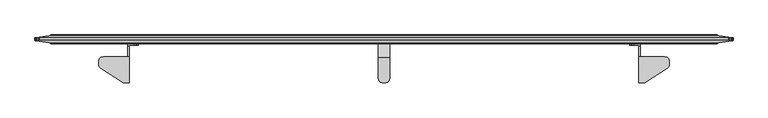
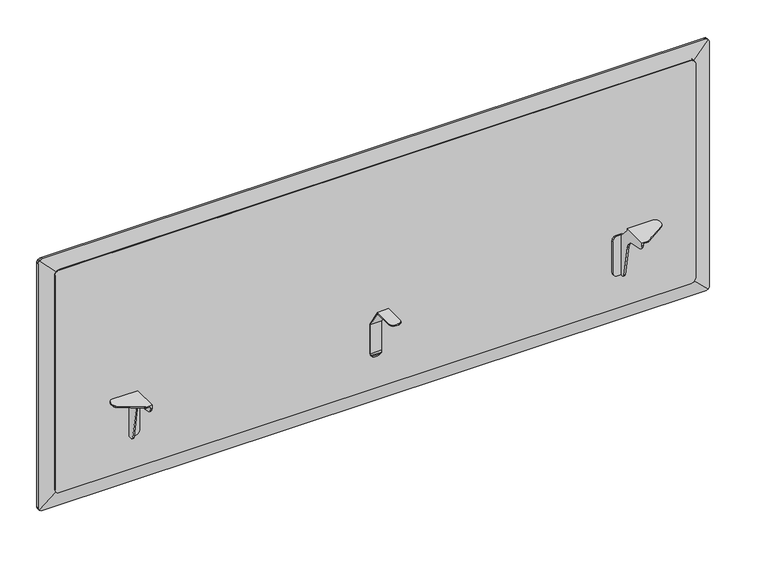
"""IFC4 building model written with IfcOpenShell, lengths in millimetres: furniture geometry."""

from ifc_helpers import new_model, si_unit, frame, origin, place, context, project, spatial, polyline, outline, extrude, faceted_brep, source, transform, mapped, element, save


def furniture_28efd50c(model_context):
    return source(origin(), model_context, "Body", "SolidModel", [
        faceted_brep([(1373.8859978, -47.2440001, 703.2318954), (1317.1170065, -47.2440001, 703.2318954), (1317.1170065, -103.8860008, 703.2318954), (1328.2202986, -103.8860008, 703.2318954), (1330.0649535, -103.7056703, 703.2318954), (1331.8397543, -103.1715187, 703.2318954), (1333.4774996, -102.3037619, 703.2318954), (1379.1431987, -72.0782948, 703.2318954), (1381.4257901, -69.955943, 703.2318954), (1382.9010453, -67.2103598, 703.2318954), (1383.4109978, -64.1355338, 703.2318954), (1383.4109978, -56.7690004, 703.2318954), (1382.1348948, -52.0064998, 703.2318954), (1378.6484978, -48.520108, 703.2318954), (1317.1170065, -103.8860008, 695.6004571), (1320.1649945, -103.8860008, 695.6004571), (1320.1649945, -103.8860008, 700.1838983), (1328.2202986, -103.8860008, 700.1838983), (1320.1649945, -19.05, 578.009924), (1307.3380068, -19.05, 578.009924), (1302.5755068, -19.05, 579.2860452), (1299.0891098, -19.05, 582.772424), (1297.8130068, -19.05, 587.534924), (1297.8130068, -19.05, 663.7348876), (1299.0891098, -19.05, 668.4973876), (1302.5755068, -19.05, 671.9838027), (1307.3380068, -19.05, 673.2598876), (1320.1649945, -19.05, 673.2598876), (1320.1649945, -47.2440001, 700.1838983), (1373.8859978, -47.2440001, 700.1838983), (1378.6484978, -48.520108, 700.1838983), (1382.1348948, -52.0064998, 700.1838983), (1383.4109978, -56.7690004, 700.1838983), (1383.4109978, -64.1355338, 700.1838983), (1382.9010453, -67.2103598, 700.1838983), (1381.4257901, -69.955943, 700.1838983), (1379.1431987, -72.0782948, 700.1838983), (1333.4774996, -102.3037619, 700.1838983), (1331.8397543, -103.1715187, 700.1838983), (1330.0649535, -103.7056703, 700.1838983), (1320.1649945, -102.535134, 689.9007324), (1320.1649945, -98.769916, 685.4135063), (1320.1649945, -93.3913335, 683.0934444), (1320.1649945, -67.1971565, 678.4746856), (1320.1649945, -57.6502931, 674.6819665), (1320.1649945, -50.386431, 667.418093), (1320.1649945, -46.5937042, 657.8712194), (1320.1649945, -33.4372464, 583.2572418), (1320.1649945, -32.2771995, 580.56798), (1320.1649945, -30.0335922, 578.6853551), (1320.1649945, -27.1837173, 578.009924), (1320.1649945, -24.1299997, 673.2598876), (1320.1649945, -47.2440001, 698.1519002), (1317.1170065, -47.2440001, 698.1519002), (1317.1170065, -24.1299997, 673.2598876), (1307.3380068, -22.0979994, 673.2598876), (1317.1170065, -22.0979994, 673.2598876), (1317.1170065, -98.769916, 685.4135063), (1317.1170065, -93.3913335, 683.0934444), (1317.1170065, -102.535134, 689.9007324), (1317.1170065, -27.1837173, 578.009924), (1317.1170065, -22.0979994, 578.009924), (1307.3380068, -22.0979994, 578.009924), (1317.1170065, -30.0335922, 578.6853551), (1317.1170065, -32.2771995, 580.56798), (1317.1170065, -33.4372464, 583.2572418), (1317.1170065, -46.5937042, 657.8712194), (1317.1170065, -50.386431, 667.418093), (1317.1170065, -57.6502931, 674.6819665), (1317.1170065, -67.1971565, 678.4746856), (1302.5755068, -22.0979994, 671.9838027), (1299.0891098, -22.0979994, 668.4973876), (1297.8130068, -22.0979994, 663.7348876), (1297.8130068, -22.0979994, 587.534924), (1299.0891098, -22.0979994, 582.772424), (1302.5755068, -22.0979994, 579.2860452)], [[[0, 1, 2, 3, 4, 5, 6, 7, 8, 9, 10, 11, 12, 13]], [[3, 2, 14, 15, 16, 17]], [[18, 19, 20, 21, 22, 23, 24, 25, 26, 27]], [[28, 29, 30, 31, 32, 33, 34, 35, 36, 37, 38, 39, 17, 16]], [[16, 15, 40, 41, 42, 43, 44, 45, 46, 47, 48, 49, 50, 18, 27, 51, 52, 28]], [[29, 28, 52, 53, 1, 0]], [[13, 30, 29, 0]], [[12, 31, 30, 13]], [[11, 32, 31, 12]], [[10, 33, 32, 11]], [[9, 34, 33, 10]], [[8, 35, 34, 9]], [[7, 36, 35, 8]], [[6, 37, 36, 7]], [[5, 38, 37, 6]], [[4, 39, 38, 5]], [[3, 17, 39, 4]], [[51, 54, 53, 52]], [[27, 26, 55, 56, 54, 51]], [[41, 57, 58, 42]], [[40, 59, 57, 41]], [[15, 14, 59, 40]], [[50, 60, 61, 62, 19, 18]], [[49, 63, 60, 50]], [[48, 64, 63, 49]], [[47, 65, 64, 48]], [[46, 66, 65, 47]], [[45, 67, 66, 46]], [[44, 68, 67, 45]], [[43, 69, 68, 44]], [[42, 58, 69, 43]], [[61, 60, 63, 64, 65, 66, 67, 68, 69, 58, 57, 59, 14, 2, 1, 53, 54, 56]], [[56, 55, 70, 71, 72, 73, 74, 75, 62, 61]], [[70, 55, 26, 25]], [[25, 24, 71, 70]], [[24, 23, 72, 71]], [[23, 22, 73, 72]], [[22, 21, 74, 73]], [[21, 20, 75, 74]], [[20, 19, 62, 75]]]),
        faceted_brep([(758.8249879, -22.0979994, 576.2815516), (765.175, -22.0979994, 576.2815516), (769.9375, -22.0979994, 577.5576729), (770.9027027, -22.0979994, 578.5228756), (753.0972852, -22.0979994, 578.5228756), (754.0624879, -22.0979994, 577.5576729), (773.4238788, -22.0979994, 581.0440516), (773.6825067, -22.0979994, 582.0092544), (750.3174812, -22.0979994, 582.0092544), (750.5761091, -22.0979994, 581.0440516), (774.6999879, -22.0979994, 586.7717544), (749.2999879, -22.0979994, 586.7717544), (749.2999879, -22.0979994, 585.8065516), (774.6999879, -22.0979994, 585.8065064), (774.6999879, -22.0979994, 656.5709459), (749.2999879, -22.0979994, 656.5709459), (774.6999879, -49.7950483, 699.4207287), (749.2999879, -49.7950483, 699.4207287), (774.6999879, -94.4880459, 699.4207287), (773.4238788, -99.2505007, 699.4207287), (769.9375, -102.7368931, 699.4207287), (766.3416142, -103.7004075, 699.4207287), (757.6583736, -103.7004075, 699.4207287), (754.0624879, -102.7368931, 699.4207287), (750.5761091, -99.2505007, 699.4207287), (749.2999879, -94.4880007, 699.4207287), (749.2999879, -48.7171998, 702.4687258), (774.6999879, -48.7171998, 702.4687258), (774.6999879, -19.05, 656.5709459), (749.2999879, -19.05, 656.5709459), (749.2999879, -94.4880007, 702.4687258), (750.5761091, -99.2505007, 702.4687258), (754.0624879, -102.7368931, 702.4687258), (757.6583736, -103.7004075, 702.4687258), (766.3416142, -103.7004075, 702.4687258), (769.9375, -102.7368931, 702.4687258), (773.4238788, -99.2505007, 702.4687258), (774.6999879, -94.4880459, 702.4687258), (758.8249879, -19.05, 576.2815516), (765.175, -19.05, 576.2815516), (774.6999879, -19.05, 585.8065064), (773.4238788, -19.05, 581.0440516), (769.9375, -19.05, 577.5576729), (754.0624879, -19.05, 577.5576729), (750.5761091, -19.05, 581.0440516), (749.2999879, -19.05, 585.8065516)], [[[0, 1, 2, 3, 4, 5]], [[4, 3, 6, 7, 8, 9]], [[10, 11, 12, 8, 7, 13]], [[11, 10, 14, 15]], [[15, 14, 16, 17]], [[17, 16, 18, 19, 20, 21, 22, 23, 24, 25]], [[26, 27, 28, 29]], [[27, 26, 30, 31, 32, 33, 34, 35, 36, 37]], [[38, 39, 1, 0]], [[29, 28, 40, 41, 42, 39, 38, 43, 44, 45]], [[11, 15, 17, 25, 30, 26, 29, 45, 12]], [[14, 10, 13, 40, 28, 27, 37, 18, 16]], [[6, 41, 40, 13, 7]], [[41, 6, 3, 2, 42]], [[42, 2, 1, 39]], [[5, 43, 38, 0]], [[43, 5, 4, 9, 44]], [[44, 9, 8, 12, 45]], [[36, 19, 18, 37]], [[19, 36, 35, 20]], [[20, 35, 34, 21]], [[21, 34, 33, 22]], [[22, 33, 32, 23]], [[23, 32, 31, 24]], [[24, 31, 30, 25]]]),
        faceted_brep([(150.1140022, -47.2440001, 703.2318954), (145.3515022, -48.520108, 703.2318954), (141.8651052, -52.0064998, 703.2318954), (140.5890022, -56.7690004, 703.2318954), (140.5890022, -64.1355338, 703.2318954), (141.0989547, -67.2103598, 703.2318954), (142.5742099, -69.955943, 703.2318954), (144.8568013, -72.0782948, 703.2318954), (190.5225004, -102.3037619, 703.2318954), (192.1602457, -103.1715187, 703.2318954), (193.9350465, -103.7056703, 703.2318954), (195.7797014, -103.8860008, 703.2318954), (206.8829935, -103.8860008, 703.2318954), (206.8829935, -47.2440001, 703.2318954), (195.7797014, -103.8860008, 700.1838983), (203.8350055, -103.8860008, 700.1838983), (203.8350055, -103.8860008, 695.6004571), (206.8829935, -103.8860008, 695.6004571), (203.8350055, -19.05, 578.009924), (203.8350055, -19.05, 673.2598876), (216.6619932, -19.05, 673.2598876), (221.4244932, -19.05, 671.9838027), (224.9108902, -19.05, 668.4973876), (226.1869932, -19.05, 663.7348876), (226.1869932, -19.05, 587.534924), (224.9108902, -19.05, 582.772424), (221.4244932, -19.05, 579.2860452), (216.6619932, -19.05, 578.009924), (203.8350055, -47.2440001, 700.1838983), (193.9350465, -103.7056703, 700.1838983), (192.1602457, -103.1715187, 700.1838983), (190.5225004, -102.3037619, 700.1838983), (144.8568013, -72.0782948, 700.1838983), (142.5742099, -69.955943, 700.1838983), (141.0989547, -67.2103598, 700.1838983), (140.5890022, -64.1355338, 700.1838983), (140.5890022, -56.7690004, 700.1838983), (141.8651052, -52.0064998, 700.1838983), (145.3515022, -48.520108, 700.1838983), (150.1140022, -47.2440001, 700.1838983), (203.8350055, -47.2440001, 698.1519002), (203.8350055, -24.1299997, 673.2598876), (203.8350055, -27.1837173, 578.009924), (203.8350055, -30.0335922, 578.6853551), (203.8350055, -32.2771995, 580.56798), (203.8350055, -33.4372464, 583.2572418), (203.8350055, -46.5937042, 657.8712194), (203.8350055, -50.386431, 667.418093), (203.8350055, -57.6502931, 674.6819665), (203.8350055, -67.1971565, 678.4746856), (203.8350055, -93.3913335, 683.0934444), (203.8350055, -98.769916, 685.4135063), (203.8350055, -102.535134, 689.9007324), (206.8829935, -47.2440001, 698.1519002), (206.8829935, -24.1299997, 673.2598876), (206.8829935, -22.0979994, 673.2598876), (216.6619932, -22.0979994, 673.2598876), (206.8829935, -93.3913335, 683.0934444), (206.8829935, -98.769916, 685.4135063), (206.8829935, -102.535134, 689.9007324), (216.6619932, -22.0979994, 578.009924), (206.8829935, -22.0979994, 578.009924), (206.8829935, -27.1837173, 578.009924), (206.8829935, -30.0335922, 578.6853551), (206.8829935, -32.2771995, 580.56798), (206.8829935, -33.4372464, 583.2572418), (206.8829935, -46.5937042, 657.8712194), (206.8829935, -50.386431, 667.418093), (206.8829935, -57.6502931, 674.6819665), (206.8829935, -67.1971565, 678.4746856), (221.4244932, -22.0979994, 579.2860452), (224.9108902, -22.0979994, 582.772424), (226.1869932, -22.0979994, 587.534924), (226.1869932, -22.0979994, 663.7348876), (224.9108902, -22.0979994, 668.4973876), (221.4244932, -22.0979994, 671.9838027)], [[[0, 1, 2, 3, 4, 5, 6, 7, 8, 9, 10, 11, 12, 13]], [[11, 14, 15, 16, 17, 12]], [[18, 19, 20, 21, 22, 23, 24, 25, 26, 27]], [[28, 15, 14, 29, 30, 31, 32, 33, 34, 35, 36, 37, 38, 39]], [[15, 28, 40, 41, 19, 18, 42, 43, 44, 45, 46, 47, 48, 49, 50, 51, 52, 16]], [[39, 0, 13, 53, 40, 28]], [[1, 0, 39, 38]], [[2, 1, 38, 37]], [[3, 2, 37, 36]], [[4, 3, 36, 35]], [[5, 4, 35, 34]], [[6, 5, 34, 33]], [[7, 6, 33, 32]], [[8, 7, 32, 31]], [[9, 8, 31, 30]], [[10, 9, 30, 29]], [[11, 10, 29, 14]], [[41, 40, 53, 54]], [[19, 41, 54, 55, 56, 20]], [[51, 50, 57, 58]], [[52, 51, 58, 59]], [[16, 52, 59, 17]], [[42, 18, 27, 60, 61, 62]], [[43, 42, 62, 63]], [[44, 43, 63, 64]], [[45, 44, 64, 65]], [[46, 45, 65, 66]], [[47, 46, 66, 67]], [[48, 47, 67, 68]], [[49, 48, 68, 69]], [[50, 49, 69, 57]], [[61, 55, 54, 53, 13, 12, 17, 59, 58, 57, 69, 68, 67, 66, 65, 64, 63, 62]], [[55, 61, 60, 70, 71, 72, 73, 74, 75, 56]], [[75, 21, 20, 56]], [[21, 75, 74, 22]], [[22, 74, 73, 23]], [[23, 73, 72, 24]], [[24, 72, 71, 25]], [[25, 71, 70, 26]], [[26, 70, 60, 27]]]),
        extrude(outline(polyline([(1032.002, 1477.1178925), (1032.002, 46.8257121), (1031.3159549, 43.184392), (1030.2278673, 40.7952556), (1028.9466955, 39.2079102), (1027.0346029, 37.7230447), (1024.7089454, 36.7081476), (1022.0517493, 36.322), (508.4958553, 36.322), (505.8386592, 36.7081476), (503.5130017, 37.7230447), (501.6009091, 39.2079102), (500.3197373, 40.7952556), (499.2316497, 43.184392), (498.602, 46.5263823), (498.602, 1477.4172223), (499.2316497, 1480.7592125), (500.3197373, 1483.1483489), (501.6009091, 1484.7356944), (503.5130017, 1486.2205599), (505.8386592, 1487.235457), (508.8839288, 1487.678), (1021.6636758, 1487.678), (1024.7089454, 1487.235457), (1027.0346029, 1486.2205599), (1028.9466955, 1484.7356944), (1030.2278673, 1483.1483489), (1031.3159549, 1480.7592125), (1032.002, 1477.1178925)])), frame((0.0, -19.05, 0.0), z_axis=(0.0, 1.0, 0.0), x_axis=(0.0, 0.0, 1.0)), (0.0, 0.0, 1.0), 19.05),
        faceted_brep([(1484.4466046, -1.27, 501.8333954), (1484.4466046, -1.27, 1028.7706046), (1519.5341432, -6.201232, 1063.8581432), (1521.0749553, -6.417779, 1061.8740069), (1522.0898524, -6.5604135, 1059.5483494), (1522.476, -6.614683, 1056.8911533), (1522.476, -6.614683, 473.7128467), (1522.0898524, -6.5604135, 471.0556506), (1521.0749553, -6.417779, 468.7299931), (1519.5341432, -6.201232, 466.7458568), (1484.4466046, -17.78, 1028.7706046), (1484.4466046, -17.78, 501.8333954), (1519.5341432, -12.5994806, 466.7458568), (1521.0749553, -12.3719865, 468.7299931), (1522.0898524, -12.2221415, 471.0556506), (1522.476, -12.1651285, 473.7128467), (1522.476, -12.1651285, 1056.8911533), (1522.0898524, -12.2221415, 1059.5483494), (1521.0749553, -12.3719865, 1061.8740069), (1519.5341432, -12.5994806, 1063.8581432), (39.5533954, -1.27, 501.8333954), (1518.0027444, -6.3711638, 465.5367287), (1515.613608, -6.5240846, 464.4486411), (1512.1920479, -6.614683, 463.804), (11.8079521, -6.614683, 463.804), (8.386392, -6.5240846, 464.4486411), (5.9972556, -6.3711638, 465.5367287), (4.479154, -6.1989614, 466.7620127), (39.5533954, -17.78, 501.8333954), (4.4658568, -12.5994806, 466.7458568), (5.9972556, -12.4209582, 465.5367287), (8.386392, -12.2603069, 464.4486411), (11.8079521, -12.1651285, 463.804), (1512.1920479, -12.1651285, 463.804), (1515.613608, -12.2603069, 464.4486411), (1518.0027444, -12.4209582, 465.5367287), (39.5533954, -1.27, 1028.7706046), (2.9250447, -6.417779, 468.7299931), (1.9101476, -6.5604135, 471.0556506), (1.524, -6.614683, 473.7128467), (1.524, -6.614683, 1056.8911533), (1.9101476, -6.5604135, 1059.5483494), (2.9250447, -6.417779, 1061.8740069), (4.4658568, -6.201232, 1063.8581432), (39.5533954, -17.78, 1028.7706046), (4.4658568, -12.5994806, 1063.8581432), (2.9250447, -12.3719865, 1061.8740069), (1.9101476, -12.2221415, 1059.5483494), (1.524, -12.1651285, 1056.8911533), (1.524, -12.1651285, 473.7128467), (1.9101476, -12.2221415, 471.0556506), (2.9250447, -12.3719865, 468.7299931), (5.9972556, -6.3711638, 1065.0672713), (8.386392, -6.5240846, 1066.1553589), (11.8079521, -6.614683, 1066.8), (1512.1920479, -6.614683, 1066.8), (1515.613608, -6.5240846, 1066.1553589), (1518.0027444, -6.3711638, 1065.0672713), (1518.0027444, -12.4209582, 1065.0672713), (1515.613608, -12.2603069, 1066.1553589), (1512.1920479, -12.1651285, 1066.8), (11.8079521, -12.1651285, 1066.8), (8.386392, -12.2603069, 1066.1553589), (5.9972556, -12.4209582, 1065.0672713)], [[[0, 1, 2, 3, 4, 5, 6, 7, 8, 9]], [[10, 11, 12, 13, 14, 15, 16, 17, 18, 19]], [[20, 0, 9, 21, 22, 23, 24, 25, 26, 27]], [[11, 28, 29, 30, 31, 32, 33, 34, 35, 12]], [[36, 20, 27, 37, 38, 39, 40, 41, 42, 43]], [[28, 44, 45, 46, 47, 48, 49, 50, 51, 29]], [[1, 36, 43, 52, 53, 54, 55, 56, 57, 2]], [[44, 10, 19, 58, 59, 60, 61, 62, 63, 45]], [[1, 0, 11, 10]], [[0, 20, 28, 11]], [[20, 36, 44, 28]], [[36, 1, 10, 44]], [[5, 16, 15, 6]], [[23, 33, 32, 24]], [[48, 40, 39, 49]], [[54, 61, 60, 55]], [[41, 47, 46, 42]], [[45, 43, 42, 46]], [[43, 45, 63, 52]], [[52, 63, 62, 53]], [[53, 62, 61, 54]], [[47, 41, 40, 48]], [[3, 18, 17, 4]], [[2, 19, 18, 3]], [[19, 2, 57, 58]], [[58, 57, 56, 59]], [[59, 56, 55, 60]], [[4, 17, 16, 5]], [[7, 14, 13, 8]], [[12, 9, 8, 13]], [[9, 12, 35, 21]], [[21, 35, 34, 22]], [[22, 34, 33, 23]], [[14, 7, 6, 15]], [[37, 51, 50, 38]], [[27, 29, 51, 37]], [[29, 27, 26, 30]], [[30, 26, 25, 31]], [[31, 25, 24, 32]], [[38, 50, 49, 39]]]),
    ])


if __name__ == "__main__":
    model = new_model("IFC4")
    model_context = context("Model", 3, world=origin())
    ifc_project = project(units=[si_unit("LENGTHUNIT", "METRE", prefix="MILLI")], contexts=[model_context])
    site = spatial("IfcSite", under=ifc_project)
    building = spatial("IfcBuilding", under=site)
    placement = place(None, origin())
    furniture_shape = furniture_28efd50c(model_context)
    element("IfcFurniture", 1, at=placement, inside=building, context=model_context, shape_type="MappedRepresentation", body=[
        mapped(furniture_shape, transform((0.0, 0.0, 0.0), x_axis=(1.0, 0.0, 0.0), y_axis=(0.0, 1.0, 0.0), z_axis=(0.0, 0.0, 1.0))),
    ])
    save(model, "model.ifc")
